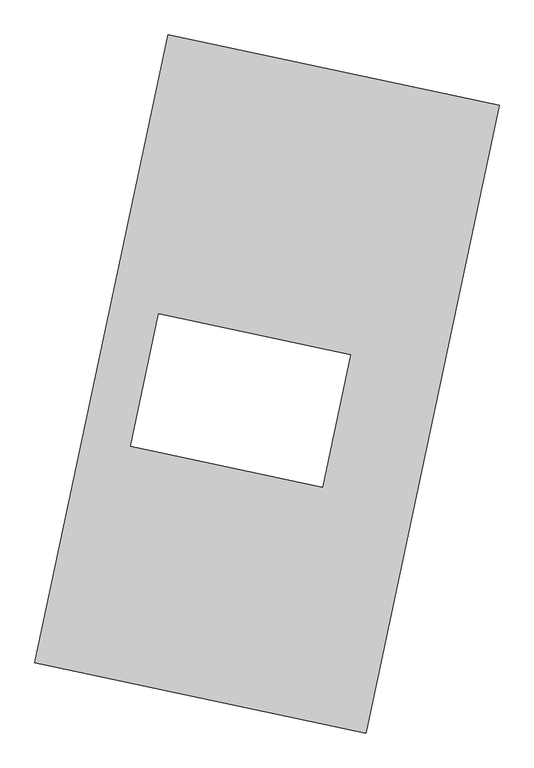
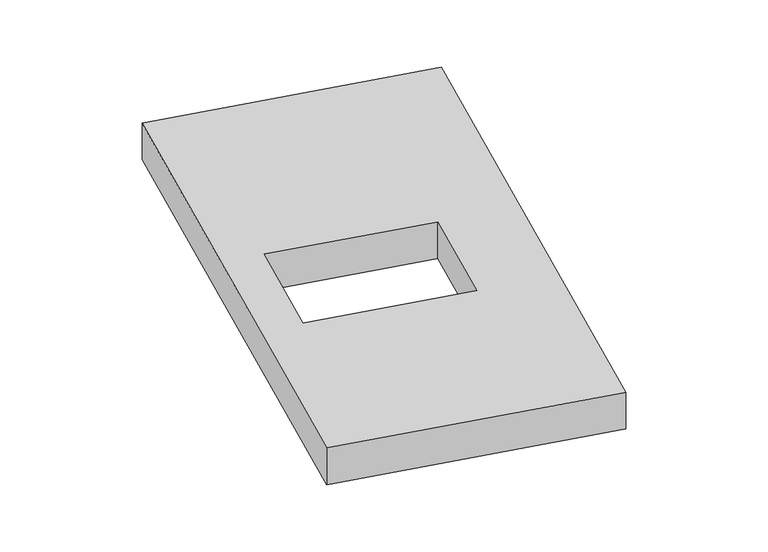
"""IFC4 building model written with IfcOpenShell, lengths in millimetres: proxy geometry."""

from ifc_helpers import new_model, si_unit, origin, origin_with_axes, place, context, project, spatial, polyline, outline, extrude, source, transform, mapped, element, save


def generic_models_506ccc54(model_context):
    return source(origin(), model_context, "Body", "SweptSolid", [
        extrude(outline(polyline([(-617.3692021, 2175.5580432), (1447.7508745, 1737.3010494), (617.3692021, -2175.5580432), (-1447.7508745, -1737.3010494), (-617.3692021, 2175.5580432)]), holes=[polyline([(521.2655785, 183.6652941), (-675.010807, 437.537453), (-850.4660352, -389.2288494), (345.8103503, -643.1010084), (521.2655785, 183.6652941)])]), origin_with_axes(), (0.0, 0.0, 1.0), 300.0),
    ])


if __name__ == "__main__":
    model = new_model("IFC4")
    model_context = context("Model", 3, world=origin())
    ifc_project = project(units=[si_unit("LENGTHUNIT", "METRE", prefix="MILLI")], contexts=[model_context])
    site = spatial("IfcSite", under=ifc_project)
    building = spatial("IfcBuilding", under=site)
    placement = place(None, origin())
    generic_models_shape = generic_models_506ccc54(model_context)
    element("IfcBuildingElementProxy", 1, Name="Generic Models", at=placement, inside=building, context=model_context, shape_type="MappedRepresentation", body=[
        mapped(generic_models_shape, transform((0.0, 0.0, 0.0), x_axis=(1.0, 0.0, 0.0), y_axis=(0.0, 1.0, 0.0), z_axis=(0.0, 0.0, 1.0))),
    ])
    save(model, "model.ifc")
